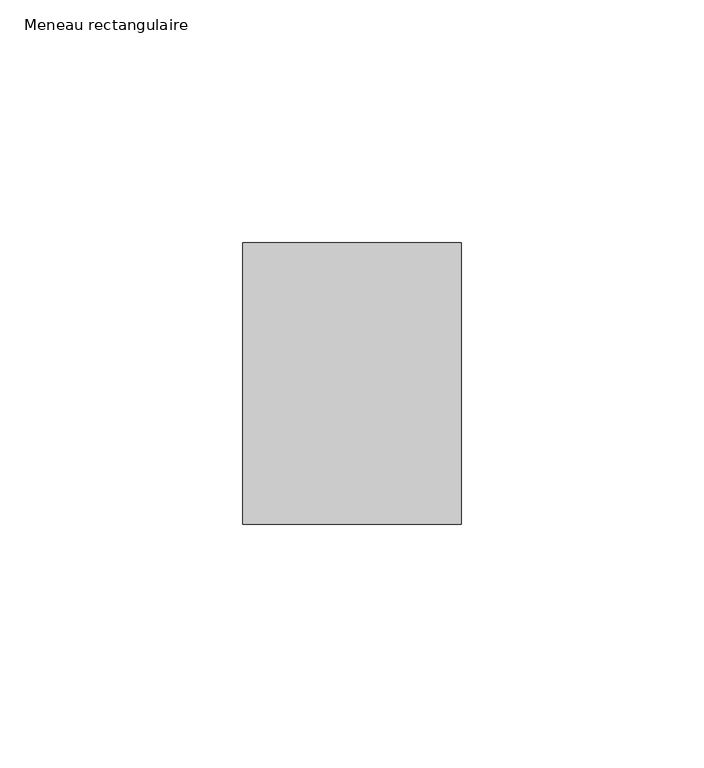
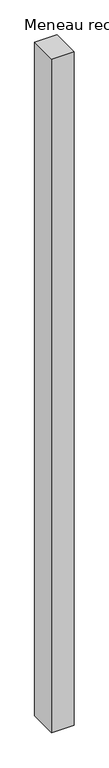
"""IFC4 building model written with IfcOpenShell, lengths in millimetres: member geometry, Meneau rectangulaire."""

from ifc_helpers import new_model, si_unit, frame, origin, place, context, project, spatial, polyline, outline, extrude, source, transform, mapped, element, save


def meneau_rectangulaire_0dc9a058(model_context):
    return source(origin(), model_context, "Body", "SweptSolid", [
        extrude(outline(polyline([(0.0, 29.0), (0.0, -29.0), (-45.0, -29.0), (-45.0, 29.0), (0.0, 29.0)])), frame((0.0, 0.0, -1422.7500002), z_axis=(0.0, 0.0, 1.0), x_axis=(1.0, 0.0, 0.0)), (0.0, 0.0, 1.0), 1422.7500002),
    ])


if __name__ == "__main__":
    model = new_model("IFC4")
    model_context = context("Model", 3, world=origin())
    ifc_project = project(units=[si_unit("LENGTHUNIT", "METRE", prefix="MILLI")], contexts=[model_context])
    site = spatial("IfcSite", under=ifc_project)
    building = spatial("IfcBuilding", under=site)
    placement = place(None, origin())
    meneau_rectangulaire_shape = meneau_rectangulaire_0dc9a058(model_context)
    element("IfcMember", 1, ObjectType="Meneau rectangulaire", at=placement, inside=building, context=model_context, shape_type="MappedRepresentation", body=[
        mapped(meneau_rectangulaire_shape, transform((0.0, 0.0, 0.0), x_axis=(1.0, 0.0, 0.0), y_axis=(0.0, 1.0, 0.0), z_axis=(0.0, 0.0, 1.0))),
    ])
    save(model, "model.ifc")
